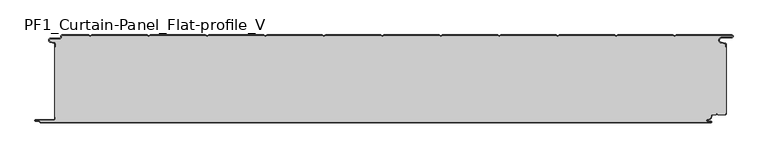
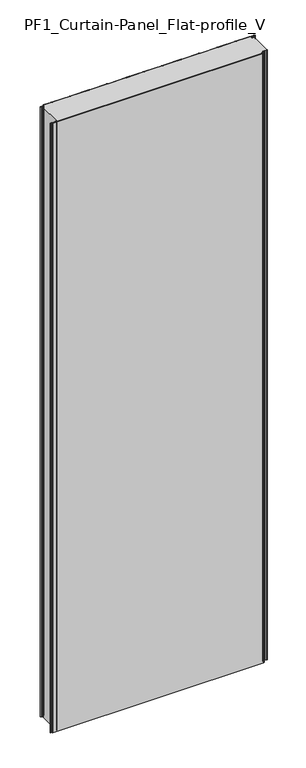
"""IFC4 building model written with IfcOpenShell, lengths in millimetres: plate geometry, PF1_Curtain-Panel_Flat-profile_V."""

from ifc_helpers import new_model, si_unit, point, frame_2d, origin, origin_with_axes, place, context, project, spatial, polyline, circle_curve, trimmed, segment, composite_curve, outline, extrude, source, transform, mapped, element, save


def pf1_curtain_panel_flat_profile_v_b9468c5a(model_context):
    return source(origin(), model_context, "Body", "SweptSolid", [
        extrude(outline(composite_curve([segment(trimmed(circle_curve(frame_2d((-577.0, -15.878557)), 2.0), [point((-575.0, -15.878557))], [point((-576.5500978, -13.9298169))], True, "CARTESIAN"), True, "CONTINUOUS"), segment(polyline([(-576.5500978, -13.9298169), (-582.7098239, -12.507732)]), True, "CONTINUOUS"), segment(trimmed(circle_curve(frame_2d((-581.9, -9.0)), 3.6), [point((-582.7098239, -12.507732))], [point((-581.9, -5.4))], False, "CARTESIAN"), True, "CONTINUOUS"), segment(polyline([(-581.9, -5.4), (-566.4, -5.4)]), True, "CONTINUOUS"), segment(trimmed(circle_curve(frame_2d((-566.4, -3.4)), 2.0), [point((-566.4, -5.4))], [point((-564.4, -3.4))], True, "CARTESIAN"), True, "CONTINUOUS"), segment(polyline([(-564.4, -3.4), (-564.4, -2.0)]), True, "CONTINUOUS"), segment(trimmed(circle_curve(frame_2d((-562.4, -2.0)), 2.0), [point((-564.4, -2.0))], [point((-562.4, 0.0))], False, "CARTESIAN"), True, "CONTINUOUS"), segment(polyline([(-562.4, 0.0), (-517.0999995, 0.0), (-514.4, -1.5588455), (-511.7000005, 0.0), (-417.0999995, 0.0), (-414.4, -1.5588455), (-411.7000005, 0.0), (-317.0999995, 0.0), (-314.4, -1.5588455), (-311.7000005, 0.0), (-217.0999995, 0.0), (-214.4, -1.5588455), (-211.7000005, 0.0), (-117.0999995, 0.0), (-114.4, -1.5588455), (-111.7000005, 0.0), (-17.0999995, 0.0), (-14.4, -1.5588455), (-11.7000005, 0.0), (82.9000005, 0.0), (85.6, -1.5588455), (88.2999995, 0.0), (182.9000005, 0.0), (185.6, -1.5588455), (188.2999995, 0.0), (282.9000005, 0.0), (285.6, -1.5588455), (288.2999995, 0.0), (382.9000005, 0.0), (385.6, -1.5588455), (388.2999995, 0.0), (482.9000005, 0.0), (485.6, -1.5588455), (488.2999995, 0.0), (583.268846, 0.0)]), True, "CONTINUOUS"), segment(trimmed(circle_curve(frame_2d((583.268846, -2.5)), 2.5), [point((583.268846, 0.0))], [point((583.268846, -5.0))], False, "CARTESIAN"), True, "CONTINUOUS"), segment(polyline([(583.268846, -5.0), (566.268846, -5.0)]), True, "CONTINUOUS"), segment(trimmed(circle_curve(frame_2d((566.268846, -9.0)), 4.0), [point((566.268846, -5.0))], [point((565.574253, -12.939231))], True, "CARTESIAN"), True, "CONTINUOUS"), segment(polyline([(565.574253, -12.939231), (572.0203315, -14.0758491)]), True, "CONTINUOUS"), segment(trimmed(circle_curve(frame_2d((571.568846, -16.6363492)), 2.6), [point((572.0203315, -14.0758491))], [point((574.168846, -16.6363492))], False, "CARTESIAN"), True, "CONTINUOUS"), segment(polyline([(574.168846, -16.6363492), (574.168846, -20.0), (573.368846, -20.0), (573.368846, -16.6363492)]), True, "CONTINUOUS"), segment(trimmed(circle_curve(frame_2d((571.568846, -16.6363492)), 1.8), [point((573.368846, -16.6363492))], [point((571.8814129, -14.8636953))], True, "CARTESIAN"), True, "CONTINUOUS"), segment(polyline([(571.8814129, -14.8636953), (565.4353344, -13.7270772)]), True, "CONTINUOUS"), segment(trimmed(circle_curve(frame_2d((566.268846, -9.0)), 4.8), [point((565.4353344, -13.7270772))], [point((566.268846, -4.2))], False, "CARTESIAN"), True, "CONTINUOUS"), segment(polyline([(566.268846, -4.2), (583.268846, -4.2)]), True, "CONTINUOUS"), segment(trimmed(circle_curve(frame_2d((583.268846, -2.5)), 1.7), [point((583.268846, -4.2))], [point((583.268846, -0.8))], True, "CARTESIAN"), True, "CONTINUOUS"), segment(polyline([(583.268846, -0.8), (488.5143588, -0.8), (485.6, -2.482606), (482.6856412, -0.8), (388.5143588, -0.8), (385.6, -2.482606), (382.6856412, -0.8), (288.5143588, -0.8), (285.6, -2.482606), (282.6856412, -0.8), (188.5143588, -0.8), (185.6, -2.482606), (182.6856412, -0.8), (88.5143588, -0.8), (85.6, -2.482606), (82.6856412, -0.8), (-11.4856412, -0.8), (-14.4, -2.482606), (-17.3143588, -0.8), (-111.4856412, -0.8), (-114.4, -2.482606), (-117.3143588, -0.8), (-211.4856412, -0.8), (-214.4, -2.482606), (-217.3143588, -0.8), (-311.4856412, -0.8), (-314.4, -2.482606), (-317.3143588, -0.8), (-411.4856412, -0.8), (-414.4, -2.482606), (-417.3143588, -0.8), (-511.4856412, -0.8), (-514.4, -2.482606), (-517.3143588, -0.8), (-562.4, -0.8)]), True, "CONTINUOUS"), segment(trimmed(circle_curve(frame_2d((-562.4, -2.0)), 1.2), [point((-562.4, -0.8))], [point((-563.6, -2.0))], True, "CARTESIAN"), True, "CONTINUOUS"), segment(polyline([(-563.6, -2.0), (-563.6, -3.4)]), True, "CONTINUOUS"), segment(trimmed(circle_curve(frame_2d((-566.4, -3.4)), 2.8), [point((-563.6, -3.4))], [point((-566.4, -6.2))], False, "CARTESIAN"), True, "CONTINUOUS"), segment(polyline([(-566.4, -6.2), (-581.9, -6.2)]), True, "CONTINUOUS"), segment(trimmed(circle_curve(frame_2d((-581.9, -9.0)), 2.8), [point((-581.9, -6.2))], [point((-582.529863, -11.7282362))], True, "CARTESIAN"), True, "CONTINUOUS"), segment(polyline([(-582.529863, -11.7282362), (-576.370137, -13.150321)]), True, "CONTINUOUS"), segment(trimmed(circle_curve(frame_2d((-577.0, -15.878557)), 2.8), [point((-576.370137, -13.150321))], [point((-574.2, -15.878557))], False, "CARTESIAN"), True, "CONTINUOUS"), segment(polyline([(-574.2, -15.878557), (-574.2, -20.0), (-575.0, -20.0), (-575.0, -15.878557)]), True, "CONTINUOUS")], self_intersect=False)), origin_with_axes(), (0.0, 0.0, 1.0), 3500.0),
        extrude(outline(composite_curve([segment(polyline([(-574.2, -140.0), (-575.0, -140.0), (-575.0, -20.0), (-574.2, -20.0), (-574.2, -15.878557)]), True, "CONTINUOUS"), segment(trimmed(circle_curve(frame_2d((-577.0, -15.878557)), 2.8), [point((-574.2, -15.878557))], [point((-576.370137, -13.1503208))], True, "CARTESIAN"), True, "CONTINUOUS"), segment(polyline([(-576.370137, -13.1503208), (-582.529863, -11.7282362)]), True, "CONTINUOUS"), segment(trimmed(circle_curve(frame_2d((-581.9, -9.0)), 2.8), [point((-582.529863, -11.7282362))], [point((-581.9, -6.2))], False, "CARTESIAN"), True, "CONTINUOUS"), segment(polyline([(-581.9, -6.2), (-566.4, -6.2)]), True, "CONTINUOUS"), segment(trimmed(circle_curve(frame_2d((-566.4, -3.4)), 2.8), [point((-566.4, -6.2))], [point((-563.6, -3.4))], True, "CARTESIAN"), True, "CONTINUOUS"), segment(polyline([(-563.6, -3.4), (-563.6, -2.0)]), True, "CONTINUOUS"), segment(trimmed(circle_curve(frame_2d((-562.4, -2.0)), 1.2), [point((-563.6, -2.0))], [point((-562.4, -0.8))], False, "CARTESIAN"), True, "CONTINUOUS"), segment(polyline([(-562.4, -0.8), (-517.3143588, -0.8), (-514.4, -2.482606), (-511.4856412, -0.8), (-417.3143588, -0.8), (-414.4, -2.482606), (-411.4856412, -0.8), (-317.3143588, -0.8), (-314.4, -2.482606), (-311.4856412, -0.8), (-217.3143588, -0.8), (-214.4, -2.482606), (-211.4856412, -0.8), (-117.3143588, -0.8), (-114.4, -2.482606), (-111.4856412, -0.8), (-17.3143588, -0.8), (-14.4, -2.482606), (-11.4856412, -0.8), (82.6856412, -0.8), (85.6, -2.482606), (88.5143588, -0.8), (182.6856412, -0.8), (185.6, -2.482606), (188.5143588, -0.8), (282.6856412, -0.8), (285.6, -2.482606), (288.5143588, -0.8), (382.6856412, -0.8), (385.6, -2.482606), (388.5143588, -0.8), (482.6856412, -0.8), (485.6, -2.482606), (488.5143588, -0.8), (583.268846, -0.8)]), True, "CONTINUOUS"), segment(trimmed(circle_curve(frame_2d((583.268846, -2.5)), 1.7), [point((583.268846, -0.8))], [point((583.268846, -4.2))], False, "CARTESIAN"), True, "CONTINUOUS"), segment(polyline([(583.268846, -4.2), (566.268846, -4.2)]), True, "CONTINUOUS"), segment(trimmed(circle_curve(frame_2d((566.268846, -9.0)), 4.8), [point((566.268846, -4.2))], [point((565.4353344, -13.7270772))], True, "CARTESIAN"), True, "CONTINUOUS"), segment(polyline([(565.4353344, -13.7270772), (571.8814129, -14.8636953)]), True, "CONTINUOUS"), segment(trimmed(circle_curve(frame_2d((571.568846, -16.6363492)), 1.8), [point((571.8814129, -14.8636953))], [point((573.368846, -16.6363492))], False, "CARTESIAN"), True, "CONTINUOUS"), segment(polyline([(573.368846, -16.6363492), (573.368846, -20.0), (574.168846, -20.0), (574.168846, -133.0), (573.368846, -133.0), (573.368846, -134.4)]), True, "CONTINUOUS"), segment(trimmed(circle_curve(frame_2d((571.568846, -134.4)), 1.8), [point((573.368846, -134.4))], [point((571.568846, -136.2))], False, "CARTESIAN"), True, "CONTINUOUS"), segment(polyline([(571.568846, -136.2), (560.0002158, -136.2), (558.168846, -134.3686285), (556.3374762, -136.2), (550.168846, -136.2)]), True, "CONTINUOUS"), segment(trimmed(circle_curve(frame_2d((550.168846, -138.0)), 1.8), [point((550.168846, -136.2))], [point((548.368846, -138.0))], True, "CARTESIAN"), True, "CONTINUOUS"), segment(polyline([(548.368846, -138.0), (548.368846, -138.8276204)]), True, "CONTINUOUS"), segment(trimmed(circle_curve(frame_2d((542.9964664, -138.8276204)), 5.3723796), [point((548.368846, -138.8276204))], [point((542.9964664, -144.2))], False, "CARTESIAN"), True, "CONTINUOUS"), segment(polyline([(542.9964664, -144.2), (542.168846, -144.2)]), True, "CONTINUOUS"), segment(trimmed(circle_curve(frame_2d((542.168846, -146.4)), 2.2), [point((542.168846, -144.2))], [point((542.168846, -148.6))], True, "CARTESIAN"), True, "CONTINUOUS"), segment(polyline([(542.168846, -148.6), (548.0579973, -148.6)]), True, "CONTINUOUS"), segment(trimmed(circle_curve(frame_2d((548.0579973, -148.9)), 0.3), [point((548.0579973, -148.6))], [point((548.0579973, -149.2))], False, "CARTESIAN"), True, "CONTINUOUS"), segment(polyline([(548.0579973, -149.2), (-599.4, -149.2)]), True, "CONTINUOUS"), segment(trimmed(circle_curve(frame_2d((-599.4, -148.4)), 0.8), [point((-599.4, -149.2))], [point((-600.2, -148.4))], False, "CARTESIAN"), True, "CONTINUOUS"), segment(trimmed(circle_curve(frame_2d((-601.9, -148.6133333)), 1.7133333), [point((-600.2, -148.4))], [point((-601.9, -146.9))], True, "CARTESIAN"), True, "CONTINUOUS"), segment(polyline([(-601.9, -146.9), (-607.8700312, -146.9)]), True, "CONTINUOUS"), segment(trimmed(circle_curve(frame_2d((-607.8700312, -146.6)), 0.3), [point((-607.8700312, -146.9))], [point((-607.8700312, -146.3))], False, "CARTESIAN"), True, "CONTINUOUS"), segment(polyline([(-607.8700312, -146.3), (-577.0, -146.3)]), True, "CONTINUOUS"), segment(trimmed(circle_curve(frame_2d((-577.0, -143.5)), 2.8), [point((-577.0, -146.3))], [point((-574.2, -143.5))], True, "CARTESIAN"), True, "CONTINUOUS"), segment(polyline([(-574.2, -143.5), (-574.2, -140.0)]), True, "CONTINUOUS")], self_intersect=False)), origin_with_axes(), (0.0, 0.0, 1.0), 3500.0),
        extrude(outline(composite_curve([segment(polyline([(-575.0, -140.0), (-574.2, -140.0), (-574.2, -143.5)]), True, "CONTINUOUS"), segment(trimmed(circle_curve(frame_2d((-577.0, -143.5)), 2.8), [point((-574.2, -143.5))], [point((-577.0, -146.3))], False, "CARTESIAN"), True, "CONTINUOUS"), segment(polyline([(-577.0, -146.3), (-607.8700312, -146.3)]), True, "CONTINUOUS"), segment(trimmed(circle_curve(frame_2d((-607.8700312, -146.6)), 0.3), [point((-607.8700312, -146.3))], [point((-607.8700312, -146.9))], True, "CARTESIAN"), True, "CONTINUOUS"), segment(polyline([(-607.8700312, -146.9), (-601.9, -146.9)]), True, "CONTINUOUS"), segment(trimmed(circle_curve(frame_2d((-601.9, -148.6133333)), 1.7133333), [point((-601.9, -146.9))], [point((-600.2, -148.4))], False, "CARTESIAN"), True, "CONTINUOUS"), segment(trimmed(circle_curve(frame_2d((-599.4, -148.4)), 0.8), [point((-600.2, -148.4))], [point((-599.4, -149.2))], True, "CARTESIAN"), True, "CONTINUOUS"), segment(polyline([(-599.4, -149.2), (548.0579973, -149.2)]), True, "CONTINUOUS"), segment(trimmed(circle_curve(frame_2d((548.0579973, -148.9)), 0.3), [point((548.0579973, -149.2))], [point((548.0579973, -148.6))], True, "CARTESIAN"), True, "CONTINUOUS"), segment(polyline([(548.0579973, -148.6), (542.168846, -148.6)]), True, "CONTINUOUS"), segment(trimmed(circle_curve(frame_2d((542.168846, -146.4)), 2.2), [point((542.168846, -148.6))], [point((542.168846, -144.2))], False, "CARTESIAN"), True, "CONTINUOUS"), segment(polyline([(542.168846, -144.2), (542.9964664, -144.2)]), True, "CONTINUOUS"), segment(trimmed(circle_curve(frame_2d((542.9964664, -138.8276204)), 5.3723796), [point((542.9964664, -144.2))], [point((548.368846, -138.8276204))], True, "CARTESIAN"), True, "CONTINUOUS"), segment(polyline([(548.368846, -138.8276204), (548.368846, -138.0)]), True, "CONTINUOUS"), segment(trimmed(circle_curve(frame_2d((550.168846, -138.0)), 1.8), [point((548.368846, -138.0))], [point((550.168846, -136.2))], False, "CARTESIAN"), True, "CONTINUOUS"), segment(polyline([(550.168846, -136.2), (556.3374762, -136.2), (558.168846, -134.3686285), (560.0002158, -136.2), (571.568846, -136.2)]), True, "CONTINUOUS"), segment(trimmed(circle_curve(frame_2d((571.568846, -134.4)), 1.8), [point((571.568846, -136.2))], [point((573.368846, -134.4))], True, "CARTESIAN"), True, "CONTINUOUS"), segment(polyline([(573.368846, -134.4), (573.368846, -133.0), (574.168846, -133.0), (574.168846, -134.4)]), True, "CONTINUOUS"), segment(trimmed(circle_curve(frame_2d((571.568846, -134.4)), 2.6), [point((574.168846, -134.4))], [point((571.568846, -137.0))], False, "CARTESIAN"), True, "CONTINUOUS"), segment(polyline([(571.568846, -137.0), (559.6688448, -137.0), (558.168846, -135.4999999), (556.6688472, -137.0), (550.168846, -137.0)]), True, "CONTINUOUS"), segment(trimmed(circle_curve(frame_2d((550.168846, -138.0)), 1.0), [point((550.168846, -137.0))], [point((549.168846, -138.0))], True, "CARTESIAN"), True, "CONTINUOUS"), segment(polyline([(549.168846, -138.0), (549.168846, -138.8276204)]), True, "CONTINUOUS"), segment(trimmed(circle_curve(frame_2d((542.9964664, -138.8276204)), 6.1723796), [point((549.168846, -138.8276204))], [point((542.9964664, -145.0))], False, "CARTESIAN"), True, "CONTINUOUS"), segment(polyline([(542.9964664, -145.0), (542.168846, -145.0)]), True, "CONTINUOUS"), segment(trimmed(circle_curve(frame_2d((542.168846, -146.5)), 1.5), [point((542.168846, -145.0))], [point((542.168846, -148.0))], True, "CARTESIAN"), True, "CONTINUOUS"), segment(polyline([(542.168846, -148.0), (548.168846, -148.0)]), True, "CONTINUOUS"), segment(trimmed(circle_curve(frame_2d((548.168846, -149.0)), 1.0), [point((548.168846, -148.0))], [point((548.168846, -150.0))], False, "CARTESIAN"), True, "CONTINUOUS"), segment(polyline([(548.168846, -150.0), (-599.4, -150.0)]), True, "CONTINUOUS"), segment(trimmed(circle_curve(frame_2d((-599.4, -148.4)), 1.6), [point((-599.4, -150.0))], [point((-601.0, -148.4))], False, "CARTESIAN"), True, "CONTINUOUS"), segment(trimmed(circle_curve(frame_2d((-601.9, -148.4)), 0.9), [point((-601.0, -148.4))], [point((-601.9, -147.5))], True, "CARTESIAN"), True, "CONTINUOUS"), segment(polyline([(-601.9, -147.5), (-608.0, -147.5)]), True, "CONTINUOUS"), segment(trimmed(circle_curve(frame_2d((-608.0, -146.5)), 1.0), [point((-608.0, -147.5))], [point((-608.0, -145.5))], False, "CARTESIAN"), True, "CONTINUOUS"), segment(polyline([(-608.0, -145.5), (-577.0, -145.5)]), True, "CONTINUOUS"), segment(trimmed(circle_curve(frame_2d((-577.0, -143.5)), 2.0), [point((-577.0, -145.5))], [point((-575.0, -143.5))], True, "CARTESIAN"), True, "CONTINUOUS"), segment(polyline([(-575.0, -143.5), (-575.0, -140.0)]), True, "CONTINUOUS")], self_intersect=False)), origin_with_axes(), (0.0, 0.0, 1.0), 3500.0),
    ])


if __name__ == "__main__":
    model = new_model("IFC4")
    model_context = context("Model", 3, world=origin())
    ifc_project = project(units=[si_unit("LENGTHUNIT", "METRE", prefix="MILLI")], contexts=[model_context])
    site = spatial("IfcSite", under=ifc_project)
    building = spatial("IfcBuilding", under=site)
    placement = place(None, origin())
    pf1_curtain_panel_flat_profile_v_shape = pf1_curtain_panel_flat_profile_v_b9468c5a(model_context)
    element("IfcPlate", 1, ObjectType="PF1_Curtain-Panel_Flat-profile_V", at=placement, inside=building, context=model_context, shape_type="MappedRepresentation", body=[
        mapped(pf1_curtain_panel_flat_profile_v_shape, transform((0.0, 0.0, 0.0), x_axis=(1.0, 0.0, 0.0), y_axis=(0.0, 1.0, 0.0), z_axis=(0.0, 0.0, 1.0))),
    ])
    save(model, "model.ifc")
